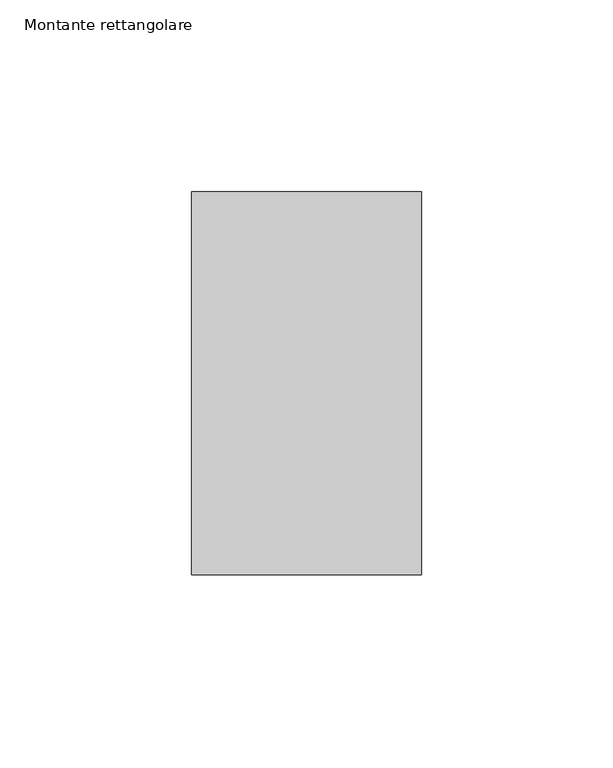
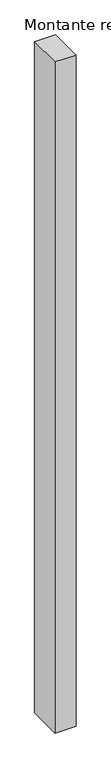
"""IFC4 building model written with IfcOpenShell, lengths in millimetres: member geometry, Montante rettangolare."""

from ifc_helpers import new_model, si_unit, frame, origin, place, context, project, spatial, polyline, outline, extrude, source, transform, mapped, element, save


def montante_rettangolare_05913337(model_context):
    return source(origin(), model_context, "Body", "SweptSolid", [
        extrude(outline(polyline([(0.0, 50.0), (0.0, -50.0), (-60.0, -50.0), (-60.0, 50.0), (0.0, 50.0)])), frame((0.0, 0.0, -2025.0), z_axis=(0.0, 0.0, 1.0), x_axis=(1.0, 0.0, 0.0)), (0.0, 0.0, 1.0), 2025.0),
    ])


if __name__ == "__main__":
    model = new_model("IFC4")
    model_context = context("Model", 3, world=origin())
    ifc_project = project(units=[si_unit("LENGTHUNIT", "METRE", prefix="MILLI")], contexts=[model_context])
    site = spatial("IfcSite", under=ifc_project)
    building = spatial("IfcBuilding", under=site)
    placement = place(None, origin())
    montante_rettangolare_shape = montante_rettangolare_05913337(model_context)
    element("IfcMember", 1, ObjectType="Montante rettangolare", at=placement, inside=building, context=model_context, shape_type="MappedRepresentation", body=[
        mapped(montante_rettangolare_shape, transform((0.0, 0.0, 0.0), x_axis=(1.0, 0.0, 0.0), y_axis=(0.0, 1.0, 0.0), z_axis=(0.0, 0.0, 1.0))),
    ])
    save(model, "model.ifc")
